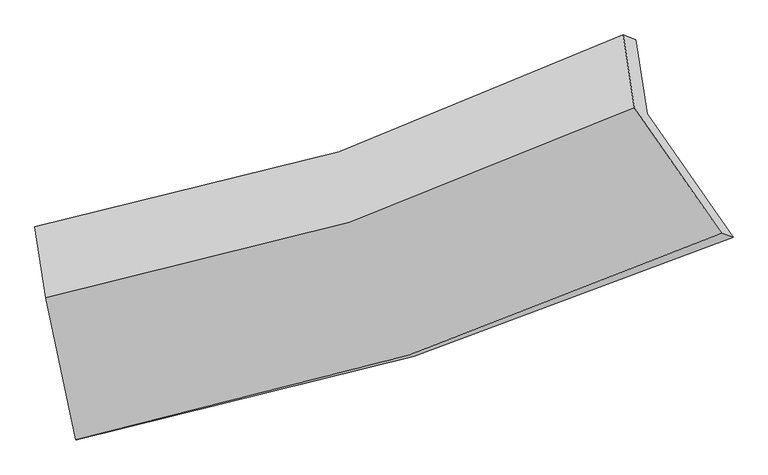
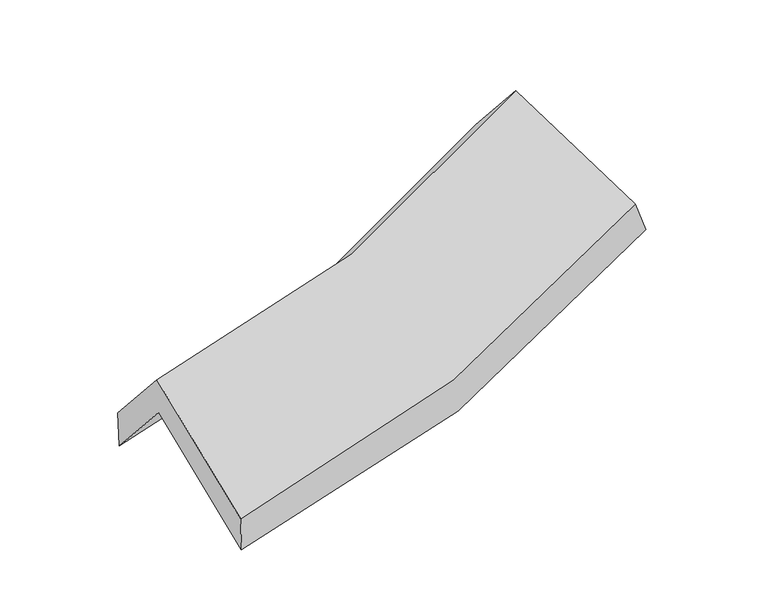
"""IFC4 building model written with IfcOpenShell, lengths in millimetres: proxy geometry."""

from ifc_helpers import new_model, si_unit, frame, origin, place, context, project, spatial, source, transform, mapped, element, save
from ifc_brep_helpers import plane_surface, spline_curve, spline_surface, advanced_brep


def generic_models_d18e36d1(model_context):
    return source(origin(), model_context, "Body", "AdvancedBrep", [
        advanced_brep(
        [(-1024.1673695, -2394.1150538, 1565.3417087), (-1129.1722704, -1895.7207997, 1989.8666306), (1006.1321406, -1234.2700921, 2320.5087559), (1311.6924634, -1673.8815391, 1919.3008001), (-1168.4286228, -1637.8460177, 1677.4104891), (965.988996, -970.5699767, 2000.9943005), (-1173.514936, -1636.0153079, 1844.8966668), (920.8217277, -953.4499838, 2146.8057673), (-1134.8917506, -1889.7308192, 2152.3131931), (960.3625735, -1213.1936019, 2461.5262997), (-1028.5006464, -2394.7045354, 1722.1839818), (1270.8220681, -1659.8535164, 2053.8856151)],
        [
            (0, 1),
            (1, 2, spline_curve(3, [(-1129.1722704, -1895.7207997, 1989.8666306), (-752.808729893, -1824.339001651, 1994.786649578), (-386.330011478, -1733.369542773, 2024.911461877), (325.354985789, -1512.72122474, 2135.337497344), (670.64440439, -1383.207114436, 2215.426726755), (1006.1321406, -1234.2700921, 2320.5087559)], [4, 2, 4], [0.0, 0.5010558007370667, 1.0])),
            (2, 3),
            (3, 0, spline_curve(3, [(1311.6924634, -1673.8815391, 1919.3008001), (944.01459306, -1836.104250009, 1807.298193929), (565.953676841, -1977.153133147, 1721.806486042), (-212.578196492, -2217.410571814, 1603.595251742), (-613.137224571, -2316.439526907, 1571.100595867), (-1024.1673695, -2394.1150538, 1565.3417087)], [4, 2, 4], [0.0, 0.4989441992629333, 1.0])),
            (1, 4),
            (4, 5, spline_curve(3, [(-1168.4286228, -1637.8460177, 1677.4104891), (-791.881089743, -1567.672865702, 1683.794974197), (-425.384781108, -1476.818957044, 1714.059793863), (286.003219158, -1254.219667344, 1822.121918196), (630.979450139, -1122.648229008, 1899.718368987), (965.988996, -970.5699767, 2000.9943005)], [4, 2, 4], [0.0, 0.5010558007370667, 1.0])),
            (5, 2),
            (4, 6),
            (6, 7, spline_curve(3, [(-1173.514936, -1636.0153079, 1844.8966668), (-801.253226324, -1572.429383892, 1855.363186431), (-440.249504725, -1483.582640978, 1885.850851542), (257.768027275, -1255.848401378, 1986.655613175), (594.876526936, -1117.173369593, 2056.804314903), (920.8217277, -953.4499838, 2146.8057673)], [4, 2, 4], [0.0, 0.5010558007370667, 1.0])),
            (7, 5),
            (6, 8),
            (8, 9, spline_curve(3, [(-1134.8917506, -1889.7308192, 2152.3131931), (-763.023946009, -1823.557334693, 2159.644473355), (-402.139966098, -1733.924009459, 2189.179069339), (296.185758668, -1508.214286525, 2292.436853572), (633.719886782, -1372.335206012, 2365.973293129), (960.3625735, -1213.1936019, 2461.5262997)], [4, 2, 4], [0.0, 0.5010558007370667, 1.0])),
            (9, 7),
            (8, 10),
            (10, 11, spline_curve(3, [(-1028.5006464, -2394.7045354, 1722.1839818), (-623.79679181, -2317.041721329, 1734.872125264), (-229.451861733, -2216.795834024, 1768.961463877), (536.901915767, -1971.655551558, 1879.708677144), (908.997890538, -1826.951099223, 1956.186549656), (1270.8220681, -1659.8535164, 2053.8856151)], [4, 2, 4], [0.0, 0.5010558007370667, 1.0])),
            (11, 9),
            (10, 0),
            (3, 11),
        ],
        [
            spline_surface(3, 3, [[(-1024.1673695, -2394.1150538, 1565.3417087), (-613.137224567, -2316.439526903, 1571.10059586), (-212.578196491, -2217.410571815, 1603.595251745), (565.953676839, -1977.153133146, 1721.806486038), (944.014593065, -1836.104250008, 1807.298193924), (1311.6924634, -1673.8815391, 1919.3008001)], [(-1059.16900312, -2227.983635775, 1706.850015983), (-659.694392994, -2152.406018494, 1712.329280415), (-270.495468158, -2056.063562154, 1744.033988432), (485.754113147, -1822.342497026, 1859.650156453), (852.891196842, -1685.138538148, 1943.341038201), (1209.839022469, -1527.344390098, 2053.036785367)], [(-1094.17063678, -2061.852217725, 1848.358323317), (-706.251561461, -1988.372510061, 1853.557965022), (-328.412739805, -1894.716552441, 1884.472725186), (405.554549475, -1667.531860854, 1997.493826934), (761.767800613, -1534.172826295, 2079.383882478), (1107.985581531, -1380.807241102, 2186.772770633)], [(-1129.1722704, -1895.7207997, 1989.8666306), (-752.808729888, -1824.339001652, 1994.786649577), (-386.330011472, -1733.36954278, 2024.911461872), (325.354985782, -1512.721224734, 2135.337497349), (670.64440439, -1383.207114435, 2215.426726755), (1006.1321406, -1234.2700921, 2320.5087559)]], [4, 4], [4, 2, 4], [0.0, 1.0], [0.0, 0.5010558007370667, 1.0]),
            spline_surface(3, 3, [[(-1129.1722704, -1895.7207997, 1989.8666306), (-752.808729888, -1824.339001652, 1994.786649577), (-386.330011472, -1733.36954278, 2024.911461872), (325.354985782, -1512.721224734, 2135.337497349), (670.64440439, -1383.207114435, 2215.426726755), (1006.1321406, -1234.2700921, 2320.5087559)], [(-1142.257721199, -1809.762539023, 1885.714583453), (-765.832849842, -1738.783622995, 1891.122757805), (-399.348268012, -1647.852680854, 1921.294239223), (312.23773025, -1426.554038927, 2030.932304316), (657.422752981, -1296.354152634, 2110.190607491), (992.751092409, -1146.37005364, 2214.003937424)], [(-1155.343172001, -1723.804278377, 1781.562536247), (-778.856969797, -1653.228244367, 1787.458865975), (-412.366524574, -1562.335818965, 1817.677016516), (299.120474696, -1340.386853156, 1926.527111226), (644.201101544, -1209.501190813, 2004.954488255), (979.370044191, -1058.47001516, 2107.499118976)], [(-1168.4286228, -1637.8460177, 1677.4104891), (-791.881089751, -1567.672865709, 1683.794974204), (-425.384781114, -1476.81895704, 1714.059793866), (286.003219164, -1254.219667348, 1822.121918193), (630.979450135, -1122.648229012, 1899.71836899), (965.988996, -970.5699767, 2000.9943005)]], [4, 4], [4, 2, 4], [0.0, 1.0], [0.0, 0.5010558007370667, 1.0]),
            spline_surface(3, 3, [[(-1168.4286228, -1637.8460177, 1677.4104891), (-791.881089751, -1567.672865709, 1683.794974204), (-425.384781114, -1476.81895704, 1714.059793866), (286.003219164, -1254.219667348, 1822.121918193), (630.979450135, -1122.648229012, 1899.71836899), (965.988996, -970.5699767, 2000.9943005)], [(-1170.124060543, -1637.235781097, 1733.239215), (-795.005135287, -1569.258371766, 1740.98437828), (-430.339688995, -1479.073518354, 1771.323479752), (276.591488522, -1254.762578692, 1876.966483183), (618.945142379, -1120.823275863, 1952.08035096), (950.933239879, -964.863312389, 2049.598122766)], [(-1171.819498257, -1636.625544503, 1789.0679409), (-798.129180793, -1570.843877834, 1798.173782355), (-435.294596841, -1481.328079666, 1828.587165653), (267.179757915, -1255.305490033, 1931.811048189), (606.910834685, -1118.998322745, 2004.44233293), (935.877483821, -959.156648111, 2098.201945034)], [(-1173.514936, -1636.0153079, 1844.8966668), (-801.253226329, -1572.429383891, 1855.363186431), (-440.249504722, -1483.58264098, 1885.850851538), (257.768027273, -1255.848401376, 1986.655613179), (594.876526929, -1117.173369595, 2056.804314899), (920.8217277, -953.4499838, 2146.8057673)]], [4, 4], [4, 2, 4], [0.0, 1.0], [0.0, 0.5010558007370667, 1.0]),
            spline_surface(3, 3, [[(-1173.514936, -1636.0153079, 1844.8966668), (-801.253226329, -1572.429383891, 1855.363186431), (-440.249504722, -1483.58264098, 1885.850851538), (257.768027273, -1255.848401376, 1986.655613179), (594.876526929, -1117.173369595, 2056.804314899), (920.8217277, -953.4499838, 2146.8057673)], [(-1160.640540859, -1720.587145017, 1947.368842219), (-788.510132882, -1656.138700841, 1956.790282059), (-427.54632516, -1567.029763818, 1986.960257472), (270.573937754, -1339.970363108, 2088.582693315), (607.824313566, -1202.227315082, 2159.860640966), (934.002009652, -1040.031189845, 2251.712611426)], [(-1147.766145741, -1805.158982083, 2049.841017681), (-775.767039458, -1739.848017739, 2058.217377729), (-414.843145654, -1650.476886615, 2088.069663397), (283.37984818, -1424.092324799, 2190.509773443), (620.772100147, -1287.281260532, 2262.916967055), (947.182291548, -1126.612395855, 2356.619455574)], [(-1134.8917506, -1889.7308192, 2152.3131931), (-763.02394601, -1823.55733469, 2159.644473357), (-402.139966091, -1733.924009453, 2189.179069331), (296.185758662, -1508.21428653, 2292.43685358), (633.719886784, -1372.335206019, 2365.973293122), (960.3625735, -1213.1936019, 2461.5262997)]], [4, 4], [4, 2, 4], [0.0, 1.0], [0.0, 0.5010558007370667, 1.0]),
            spline_surface(3, 3, [[(-1134.8917506, -1889.7308192, 2152.3131931), (-763.02394601, -1823.55733469, 2159.644473357), (-402.139966091, -1733.924009453, 2189.179069331), (296.185758662, -1508.21428653, 2292.43685358), (633.719886784, -1372.335206019, 2365.973293122), (960.3625735, -1213.1936019, 2461.5262997)], [(-1099.428049209, -2058.055391258, 2008.936789352), (-716.614894619, -1988.052130228, 2018.053690676), (-344.577264626, -1894.881284303, 2049.106534159), (376.424477706, -1662.694708198, 2154.860794752), (725.479221355, -1523.873837074, 2229.377711965), (1063.849071689, -1362.080240055, 2325.646071496)], [(-1063.964347791, -2226.379963342, 1865.560385548), (-670.205843199, -2152.546925791, 1876.46290794), (-287.014563194, -2055.838559176, 1909.033999043), (456.663196718, -1817.175129889, 2017.284735978), (817.238555959, -1675.412468163, 2092.78213082), (1167.335569911, -1510.966878245, 2189.765843304)], [(-1028.5006464, -2394.7045354, 1722.1839818), (-623.796791807, -2317.041721329, 1734.872125258), (-229.451861729, -2216.795834025, 1768.961463871), (536.901915763, -1971.655551557, 1879.70867715), (908.997890529, -1826.951099219, 1956.186549663), (1270.8220681, -1659.8535164, 2053.8856151)]], [4, 4], [4, 2, 4], [0.0, 1.0], [0.0, 0.5010558007370667, 1.0]),
            spline_surface(3, 3, [[(-1028.5006464, -2394.7045354, 1722.1839818), (-623.796791807, -2317.041721329, 1734.872125258), (-229.451861729, -2216.795834025, 1768.961463871), (536.901915763, -1971.655551557, 1879.70867715), (908.997890529, -1826.951099219, 1956.186549663), (1270.8220681, -1659.8535164, 2053.8856151)], [(-1027.056220769, -2394.508041529, 1669.903224094), (-620.24360273, -2316.84098985, 1680.281615452), (-223.827306668, -2217.00074661, 1713.839393187), (546.585836103, -1973.488078741, 1827.07461347), (920.67012471, -1830.002149487, 1906.557097771), (1284.445533202, -1664.529523972, 2009.024010121)], [(-1025.611795131, -2394.311547671, 1617.622466406), (-616.690413644, -2316.640258382, 1625.691105666), (-218.202751552, -2217.20565923, 1658.71732243), (556.269756499, -1975.320605962, 1774.440549718), (932.342358885, -1833.05319974, 1856.927645816), (1298.068998298, -1669.205531528, 1964.162405079)], [(-1024.1673695, -2394.1150538, 1565.3417087), (-613.137224567, -2316.439526903, 1571.10059586), (-212.578196491, -2217.410571815, 1603.595251745), (565.953676839, -1977.153133146, 1721.806486038), (944.014593065, -1836.104250008, 1807.298193924), (1311.6924634, -1673.8815391, 1919.3008001)]], [4, 4], [4, 2, 4], [0.0, 1.0], [0.0, 0.5010558007370667, 1.0]),
            plane_surface(frame((1072.6366616, -1284.2031183, 2150.5035898), z_axis=(0.8843640678699897, 0.40844763985605725, 0.22598832039833644), x_axis=(0.4567254791254833, -0.6570936531535234, -0.5996913937209329))),
            plane_surface(frame((-1109.7792659, -1974.6887556, 1825.335445), z_axis=(-0.9826589105289937, -0.18332076653683244, -0.02783814135892042), x_axis=(-0.027617512440566677, -0.0037569756444830894, 0.9996115036055767))),
        ],
        [
            (0, [[1, 2, 3, 4]]),
            (1, [[5, 6, 7, -2]]),
            (2, [[8, 9, 10, -6]]),
            (3, [[11, 12, 13, -9]]),
            (4, [[14, 15, 16, -12]]),
            (5, [[17, -4, 18, -15]]),
            (6, [[-16, -18, -3, -7, -10, -13]]),
            (7, [[-17, -14, -11, -8, -5, -1]]),
        ],
    ),
    ])


if __name__ == "__main__":
    model = new_model("IFC4")
    model_context = context("Model", 3, world=origin())
    ifc_project = project(units=[si_unit("LENGTHUNIT", "METRE", prefix="MILLI")], contexts=[model_context])
    site = spatial("IfcSite", under=ifc_project)
    building = spatial("IfcBuilding", under=site)
    placement = place(None, origin())
    generic_models_shape = generic_models_d18e36d1(model_context)
    element("IfcBuildingElementProxy", 1, Name="Generic Models", at=placement, inside=building, context=model_context, shape_type="MappedRepresentation", body=[
        mapped(generic_models_shape, transform((0.0, 0.0, 0.0), x_axis=(1.0, 0.0, 0.0), y_axis=(0.0, 1.0, 0.0), z_axis=(0.0, 0.0, 1.0))),
    ])
    save(model, "model.ifc")
